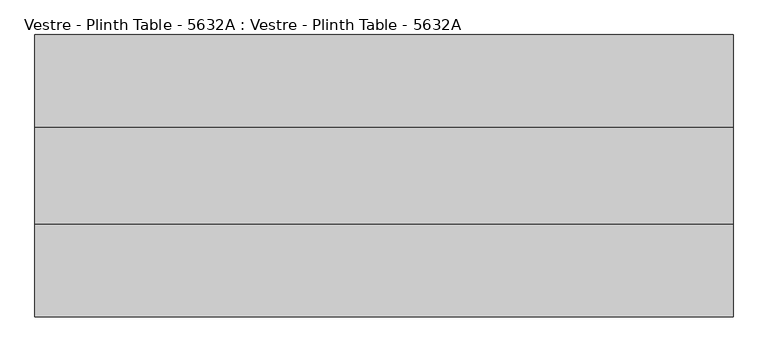
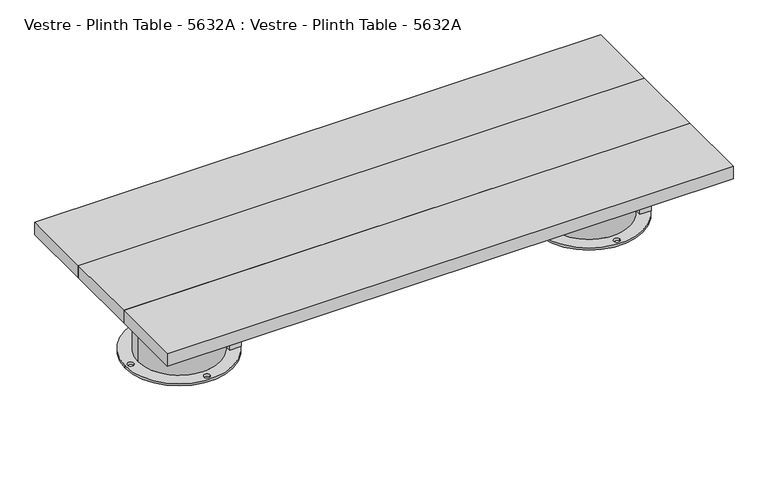
"""IFC4 building model written with IfcOpenShell, lengths in millimetres: furniture geometry, Vestre - Plinth Table - 5632A : Vestre - Plinth Table - 5632A."""

import ifcopenshell
import ifcopenshell.guid

model = None  # the IFC model being written
_history = None  # IfcOwnerHistory: only IFC2X3 demands one
_inside = {}  # id of a spatial element -> (the spatial element, [elements in it])
_under = {}  # id of a project, library or spatial element -> (it, [spatial elements below it])
_declared = {}  # id of a project -> (the project, [libraries it declares])
_typed = {}  # id of a type object -> (the type object, [elements of that type])
_made_of = {}  # id of a material, layer set ... -> (it, [elements and type objects made of it])


def new_model(schema):
    """Start an empty IFC model of exactly this schema.

    Asked for "IFC4X3", IfcOpenShell would pick the latest addendum, in which some entities
    have other attributes; the version numbers below select the first issue.
    IFC2X3 requires an IfcOwnerHistory on every rooted entity: one is made here for all.
    """
    global model, _history
    if schema == "IFC4X3":
        model = ifcopenshell.file(schema_version=(4, 3, 0, 0))
    else:
        model = ifcopenshell.file(schema=schema)
    _inside.clear()
    _under.clear()
    _declared.clear()
    _typed.clear()
    _made_of.clear()
    _history = None
    if model.schema == "IFC2X3":
        org = make("IfcOrganization", Name="unknown")
        user = make(
            "IfcPersonAndOrganization",
            ThePerson=make("IfcPerson", FamilyName="unknown"),
            TheOrganization=org,
        )
        app = make(
            "IfcApplication",
            ApplicationDeveloper=org,
            Version="unknown",
            ApplicationFullName="unknown",
            ApplicationIdentifier="unknown",
        )
        _history = make(
            "IfcOwnerHistory",
            OwningUser=user,
            OwningApplication=app,
            ChangeAction="ADDED",
            CreationDate=0,
        )
    return model


def make(cls, **values):
    """One entity of the class cls with the attributes given. An attribute that is None is left unset."""
    return model.create_entity(
        cls, **{name: value for name, value in values.items() if value is not None}
    )


def rooted(cls, **values):
    """An entity with a GlobalId (a new one), such as an element, a storey or a relation."""
    return make(cls, GlobalId=ifcopenshell.guid.new(), OwnerHistory=_history, **values)


def si_unit(unit_type, name, prefix=None):
    """IfcSIUnit, for example si_unit("LENGTHUNIT", "METRE", prefix="MILLI")."""
    return make("IfcSIUnit", UnitType=unit_type, Prefix=prefix, Name=name)


def assignment(units):
    """IfcUnitAssignment: the units of a project."""
    return None if units is None else make("IfcUnitAssignment", Units=units)


def point(xyz):
    """IfcCartesianPoint."""
    return None if xyz is None else make("IfcCartesianPoint", Coordinates=xyz)


def direction(xyz):
    """IfcDirection."""
    return None if xyz is None else make("IfcDirection", DirectionRatios=xyz)


def frame(location, z_axis=None, x_axis=None):
    """IfcAxis2Placement3D, a coordinate frame: its origin and axes. An axis left out is left unset."""
    return make(
        "IfcAxis2Placement3D",
        Location=point(location),
        Axis=direction(z_axis),
        RefDirection=direction(x_axis),
    )


def origin():
    """The frame at (0, 0, 0) with its axes left unset."""
    return frame((0.0, 0.0, 0.0))


def place(relative_to, where):
    """IfcLocalPlacement: puts the frame where relative to a parent placement (None: the world)."""
    return make(
        "IfcLocalPlacement", PlacementRelTo=relative_to, RelativePlacement=where
    )


def context(
    kind, dimensions, precision=None, world=None, true_north=None, identifier=None
):
    """IfcGeometricRepresentationContext, for example the 3D "Model" context."""
    return make(
        "IfcGeometricRepresentationContext",
        ContextIdentifier=identifier,
        ContextType=kind,
        CoordinateSpaceDimension=dimensions,
        Precision=precision,
        WorldCoordinateSystem=world,
        TrueNorth=true_north,
    )


def project(units=None, contexts=None):
    """IfcProject with its units and contexts."""
    return rooted(
        "IfcProject",
        Name="project",
        RepresentationContexts=contexts,
        UnitsInContext=assignment(units),
    )


def spatial(cls, under=None, at=None, **own):
    """A site, building, storey or space (cls), placed at a placement, below another one or the project."""
    s = rooted(cls, ObjectPlacement=at, **own)
    if under is not None:
        _under.setdefault(under.id(), (under, []))[1].append(s)
    return s


def polyline(points):
    """IfcPolyline through the points."""
    return make("IfcPolyline", Points=[point(p) for p in points])


def circle_curve(where, radius):
    """IfcCircle in the frame where."""
    return make("IfcCircle", Position=where, Radius=radius)


def outline(outer, holes=None, kind="AREA"):
    """IfcArbitraryClosedProfileDef: a profile drawn as a closed curve; with holes, ...WithVoids."""
    if holes is None:
        return make("IfcArbitraryClosedProfileDef", ProfileType=kind, OuterCurve=outer)
    return make(
        "IfcArbitraryProfileDefWithVoids",
        ProfileType=kind,
        OuterCurve=outer,
        InnerCurves=holes,
    )


def extrude(swept, where, along, depth):
    """IfcExtrudedAreaSolid: the profile swept, set in the frame where, extruded along a direction by depth."""
    return make(
        "IfcExtrudedAreaSolid",
        SweptArea=swept,
        Position=where,
        ExtrudedDirection=direction(along),
        Depth=depth,
    )


def shape(context_of_items, identifier, shape_type, items):
    """IfcShapeRepresentation: the items that make up one representation, for example the "Body"."""
    return make(
        "IfcShapeRepresentation",
        ContextOfItems=context_of_items,
        RepresentationIdentifier=identifier,
        RepresentationType=shape_type,
        Items=items,
    )


def source(mapping_origin, context_of_items, identifier, shape_type, items):
    """IfcRepresentationMap: a shape defined once, which mapped items show again and again."""
    return make(
        "IfcRepresentationMap",
        MappingOrigin=mapping_origin,
        MappedRepresentation=shape(context_of_items, identifier, shape_type, items),
    )


def transform(
    local_origin,
    x_axis=None,
    y_axis=None,
    z_axis=None,
    scale=None,
    scale2=None,
    scale3=None,
    uniform=True,
):
    """IfcCartesianTransformationOperator3D, or its non-uniform kind. x_axis, y_axis, z_axis: its Axis1, 2, 3."""
    if uniform:
        return make(
            "IfcCartesianTransformationOperator3D",
            Axis1=direction(x_axis),
            Axis2=direction(y_axis),
            LocalOrigin=point(local_origin),
            Scale=scale,
            Axis3=direction(z_axis),
        )
    return make(
        "IfcCartesianTransformationOperator3DnonUniform",
        Axis1=direction(x_axis),
        Axis2=direction(y_axis),
        LocalOrigin=point(local_origin),
        Scale=scale,
        Axis3=direction(z_axis),
        Scale2=scale2,
        Scale3=scale3,
    )


def mapped(mapping_source, mapping_target):
    """IfcMappedItem: shows the shape of a source again, moved by a transform."""
    return make(
        "IfcMappedItem", MappingSource=mapping_source, MappingTarget=mapping_target
    )


def made_of(thing, what):
    """Note that an element or type object is made of a material, layer set ...; save() writes the relation."""
    if what is not None:
        _made_of.setdefault(what.id(), (what, []))[1].append(thing)
    return thing


def element(
    cls,
    number,
    at=None,
    inside=None,
    cuts=None,
    type_object=None,
    material=None,
    context=None,
    identifier="Body",
    shape_type=None,
    held_by="IfcProductDefinitionShape",
    body=None,
    shapes=None,
    **own,
):
    """One element of the class cls, such as IfcWall. Its Tag is "e" and its number.

    at: its placement. inside: the storey or other place that contains it. cuts: it is an
    opening in that element (IfcRelVoidsElement). A single representation is given by context,
    identifier, shape_type and body (its items); several are given by shapes. held_by: the class
    of the entity that holds the representations. save() writes the other relations.
    """
    e = rooted(cls, Tag="e%d" % number, ObjectPlacement=at, **own)
    if body is not None:
        shapes = [shape(context, identifier, shape_type, body)]
    if shapes is not None:
        e.Representation = make(held_by, Representations=shapes)
    if inside is not None:
        _inside.setdefault(inside.id(), (inside, []))[1].append(e)
    if cuts is not None:
        rooted(
            "IfcRelVoidsElement", RelatingBuildingElement=cuts, RelatedOpeningElement=e
        )
    if type_object is not None:
        _typed.setdefault(type_object.id(), (type_object, []))[1].append(e)
    return made_of(e, material)


def aggregate(whole, parts):
    """IfcRelAggregates: a whole, such as a stair, and the parts it consists of."""
    return rooted("IfcRelAggregates", RelatingObject=whole, RelatedObjects=parts)


def save(model, path):
    """Write the relations noted so far, then the file.

    IfcRelAggregates (storeys below a building ...), IfcRelContainedInSpatialStructure (elements
    in a storey), IfcRelDefinesByType, IfcRelAssociatesMaterial and IfcRelDeclares: one each for
    every whole, place, type object, material and project.
    """
    for whole, parts in _under.values():
        aggregate(whole, parts)
    for where, things in _inside.values():
        rooted(
            "IfcRelContainedInSpatialStructure",
            RelatedElements=things,
            RelatingStructure=where,
        )
    for kind, things in _typed.values():
        rooted("IfcRelDefinesByType", RelatedObjects=things, RelatingType=kind)
    for what, things in _made_of.values():
        rooted("IfcRelAssociatesMaterial", RelatedObjects=things, RelatingMaterial=what)
    for by, libraries in _declared.values():
        rooted("IfcRelDeclares", RelatingContext=by, RelatedDefinitions=libraries)
    model.write(path)


def plane_surface(at):
    """IfcPlane: the flat surface through the origin of the frame at, square to its z axis."""
    return make("IfcPlane", Position=at)


def cylinder_surface(at, radius):
    """IfcCylindricalSurface: all points at the distance radius from the z axis of the frame at."""
    return make("IfcCylindricalSurface", Position=at, Radius=radius)


def revolved_surface(curve, axis_point, axis_direction):
    """IfcSurfaceOfRevolution: the curve turned about the line through axis_point along axis_direction."""
    return make(
        "IfcSurfaceOfRevolution",
        SweptCurve=make("IfcArbitraryOpenProfileDef", ProfileType="CURVE", Curve=curve),
        AxisPosition=make("IfcAxis1Placement", Location=point(axis_point), Axis=direction(axis_direction)),
    )


def advanced_brep(points, edges, surfaces, faces):
    """IfcAdvancedBrep: a solid bounded by faces that lie on surfaces and meet in shared edges.

    An edge is (start, end): straight between two places in points (the first is 0);
    or (start, end, curve); or (start, end, curve, False) where it runs against its curve.
    A face is (place in surfaces, loops), or (place, loops, False) where it looks against
    its surface's normal. A loop lists edges by number (the first is 1), with a minus sign
    where the edge is run from its end to its start. The first loop is the outer one.
    """
    corners = [point(p) for p in points]
    vertices = [make("IfcVertexPoint", VertexGeometry=c) for c in corners]
    made = []
    for start, end, *more in edges:
        made.append(
            make(
                "IfcEdgeCurve",
                EdgeStart=vertices[start],
                EdgeEnd=vertices[end],
                EdgeGeometry=more[0] if more else make("IfcPolyline", Points=[corners[start], corners[end]]),
                SameSense=more[1] if len(more) > 1 else True,
            )
        )
    hull = []
    for where, loops, *sense in faces:
        bounds = []
        for j, loop in enumerate(loops):
            ring = [make("IfcOrientedEdge", EdgeElement=made[abs(k) - 1], Orientation=k > 0) for k in loop]
            bounds.append(
                make(
                    "IfcFaceOuterBound" if j == 0 else "IfcFaceBound",
                    Bound=make("IfcEdgeLoop", EdgeList=ring),
                    Orientation=True,
                )
            )
        hull.append(make("IfcAdvancedFace", Bounds=bounds, FaceSurface=surfaces[where], SameSense=sense[0] if sense else True))
    return make("IfcAdvancedBrep", Outer=make("IfcClosedShell", CfsFaces=hull))


def vestre_plinth_table_5632a_vestre_plinth_table_5632a_89582b31(model_context):
    return source(origin(), model_context, "Body", "SolidModel", [
        extrude(outline(polyline([(760.0005464, -114.9999989), (760.0005464, -324.9999989), (-760.0005464, -324.9999989), (-760.0005464, -114.9999989), (760.0005464, -114.9999989)])), frame((0.0, 0.0, 214.9999847), z_axis=(0.0, 0.0, 1.0), x_axis=(1.0, 0.0, 0.0)), (0.0, 0.0, 1.0), 35.0000153),
        extrude(outline(polyline([(565.4994536, -483.0002308), (535.4811401, -483.0002308), (535.4811401, 43.000233), (565.4994536, 43.000233), (565.4994536, -483.0002308)])), frame((0.0, 0.0, 164.9999847), z_axis=(0.0, 0.0, 1.0), x_axis=(1.0, 0.0, 0.0)), (0.0, 0.0, 1.0), 50.0),
        extrude(outline(polyline([(-535.4811401, -483.0002308), (-565.4994536, -483.0002308), (-565.4994536, 43.000233), (-535.4811401, 43.000233), (-535.4811401, -483.0002308)])), frame((0.0, 0.0, 164.9999847), z_axis=(0.0, 0.0, 1.0), x_axis=(1.0, 0.0, 0.0)), (0.0, 0.0, 1.0), 50.0),
        advanced_brep(
        [(-660.0830351, -219.9999989, 164.9999847), (-442.3211565, -237.5001515, 164.9999847), (-538.5005464, -237.5001515, 164.9999847), (-538.5005464, -202.4998463, 164.9999847), (-442.3211565, -202.4998463, 164.9999847), (-695.0290119, -219.9999989, 0.0), (-405.9688024, -219.9999989, 0.0), (-688.5005464, -219.9999989, 0.0), (-672.5005464, -219.9999989, 0.0), (-558.5005464, -90.0001458, 0.0), (-542.5005464, -90.0001458, 0.0), (-412.497268, -219.9999989, 0.0), (-428.497268, -219.9999989, 0.0), (-558.5005464, -349.9998521, 0.0), (-542.5005464, -349.9998521, 0.0), (-660.0830351, -219.9999989, 5.8600001), (-440.9147793, -219.9999989, 5.8600001), (-440.9147793, -219.9999989, 74.9999847), (-442.3211565, -237.5001515, 74.9999847), (-442.3211565, -202.4998463, 74.9999847), (-538.5005464, -237.5001515, 74.9999847), (-538.5005464, -202.4998463, 74.9999847), (-695.0290119, -219.9999989, 5.8600001), (-405.9688024, -219.9999989, 5.8600001), (-688.5005464, -219.9999989, 5.8600001), (-672.5005464, -219.9999989, 5.8600001), (-558.5005464, -90.0001458, 5.8600001), (-542.5005464, -90.0001458, 5.8600001), (-412.497268, -219.9999989, 5.8600001), (-428.497268, -219.9999989, 5.8600001), (-558.5005464, -349.9998521, 5.8600001), (-542.5005464, -349.9998521, 5.8600001)],
        [
            (0, 1, circle_curve(frame((-550.4989072, -219.9999989, 164.9999847), z_axis=(0.0, 0.0, 1.0), x_axis=(1.0, 0.0, 0.0)), 109.5841279)),
            (1, 2),
            (2, 3),
            (3, 4),
            (4, 0, circle_curve(frame((-550.4989072, -219.9999989, 164.9999847), z_axis=(0.0, 0.0, 1.0), x_axis=(1.0, 0.0, 0.0)), 109.5841279)),
            (5, 6, circle_curve(frame((-550.4989072, -219.9999989, 0.0), z_axis=(0.0, 0.0, -1.0), x_axis=(1.0, 0.0, 0.0)), 144.5301047)),
            (6, 5, circle_curve(frame((-550.4989072, -219.9999989, 0.0), z_axis=(0.0, 0.0, -1.0), x_axis=(1.0, 0.0, 0.0)), 144.5301047)),
            (7, 8, circle_curve(frame((-680.5005464, -219.9999989, 0.0), z_axis=(0.0, 0.0, 1.0), x_axis=(1.0, 0.0, 0.0)), 8.0)),
            (8, 7, circle_curve(frame((-680.5005464, -219.9999989, 0.0), z_axis=(0.0, 0.0, 1.0), x_axis=(1.0, 0.0, 0.0)), 8.0)),
            (9, 10, circle_curve(frame((-550.5005464, -90.0001458, 0.0), z_axis=(0.0, 0.0, 1.0), x_axis=(1.0, 0.0, 0.0)), 8.0)),
            (10, 9, circle_curve(frame((-550.5005464, -90.0001458, 0.0), z_axis=(0.0, 0.0, 1.0), x_axis=(1.0, 0.0, 0.0)), 8.0)),
            (11, 12, circle_curve(frame((-420.497268, -219.9999989, 0.0), z_axis=(0.0, 0.0, 1.0), x_axis=(-1.0, 0.0, 0.0)), 8.0)),
            (12, 11, circle_curve(frame((-420.497268, -219.9999989, 0.0), z_axis=(0.0, 0.0, 1.0), x_axis=(-1.0, 0.0, 0.0)), 8.0)),
            (13, 14, circle_curve(frame((-550.5005464, -349.9998521, 0.0), z_axis=(0.0, 0.0, 1.0), x_axis=(1.0, 0.0, 0.0)), 8.0)),
            (14, 13, circle_curve(frame((-550.5005464, -349.9998521, 0.0), z_axis=(0.0, 0.0, 1.0), x_axis=(1.0, 0.0, 0.0)), 8.0)),
            (0, 15),
            (15, 16, circle_curve(frame((-550.4989072, -219.9999989, 5.8600001), z_axis=(0.0, 0.0, 1.0), x_axis=(1.0, 0.0, 0.0)), 109.5841279)),
            (16, 17),
            (17, 18, circle_curve(frame((-550.4989072, -219.9999989, 74.9999847), z_axis=(0.0, 0.0, -1.0), x_axis=(1.0, 0.0, 0.0)), 109.5841279)),
            (18, 1),
            (4, 19),
            (19, 17, circle_curve(frame((-550.4989072, -219.9999989, 74.9999847), z_axis=(0.0, 0.0, -1.0), x_axis=(1.0, 0.0, 0.0)), 109.5841279)),
            (16, 15, circle_curve(frame((-550.4989072, -219.9999989, 5.8600001), z_axis=(0.0, 0.0, 1.0), x_axis=(1.0, 0.0, 0.0)), 109.5841279)),
            (20, 21),
            (21, 3),
            (2, 20),
            (20, 18),
            (19, 21),
            (22, 23, circle_curve(frame((-550.4989072, -219.9999989, 5.8600001), z_axis=(0.0, 0.0, 1.0), x_axis=(1.0, 0.0, 0.0)), 144.5301047)),
            (23, 22, circle_curve(frame((-550.4989072, -219.9999989, 5.8600001), z_axis=(0.0, 0.0, 1.0), x_axis=(1.0, 0.0, 0.0)), 144.5301047)),
            (24, 25, circle_curve(frame((-680.5005464, -219.9999989, 5.8600001), z_axis=(0.0, 0.0, -1.0), x_axis=(1.0, 0.0, 0.0)), 8.0)),
            (25, 24, circle_curve(frame((-680.5005464, -219.9999989, 5.8600001), z_axis=(0.0, 0.0, -1.0), x_axis=(1.0, 0.0, 0.0)), 8.0)),
            (26, 27, circle_curve(frame((-550.5005464, -90.0001458, 5.8600001), z_axis=(0.0, 0.0, -1.0), x_axis=(1.0, 0.0, 0.0)), 8.0)),
            (27, 26, circle_curve(frame((-550.5005464, -90.0001458, 5.8600001), z_axis=(0.0, 0.0, -1.0), x_axis=(1.0, 0.0, 0.0)), 8.0)),
            (28, 29, circle_curve(frame((-420.497268, -219.9999989, 5.8600001), z_axis=(0.0, 0.0, -1.0), x_axis=(-1.0, 0.0, 0.0)), 8.0)),
            (29, 28, circle_curve(frame((-420.497268, -219.9999989, 5.8600001), z_axis=(0.0, 0.0, -1.0), x_axis=(-1.0, 0.0, 0.0)), 8.0)),
            (30, 31, circle_curve(frame((-550.5005464, -349.9998521, 5.8600001), z_axis=(0.0, 0.0, -1.0), x_axis=(1.0, 0.0, 0.0)), 8.0)),
            (31, 30, circle_curve(frame((-550.5005464, -349.9998521, 5.8600001), z_axis=(0.0, 0.0, -1.0), x_axis=(1.0, 0.0, 0.0)), 8.0)),
            (22, 5),
            (6, 23),
            (24, 7),
            (8, 25),
            (26, 9),
            (10, 27),
            (28, 11),
            (12, 29),
            (30, 13),
            (14, 31),
        ],
        [
            plane_surface(frame((-440.9147793, -219.9999989, 164.9999847), z_axis=(0.0, 0.0, 1.0), x_axis=(0.0, 1.0, 0.0))),
            plane_surface(frame((-440.9147793, -219.9999989, 0.0), z_axis=(0.0, 0.0, -1.0), x_axis=(0.0, -1.0, 0.0))),
            cylinder_surface(frame((-550.4989072, -219.9999989, 0.0), z_axis=(0.0, 0.0, 1.0), x_axis=(1.0, 0.0, 0.0)), 109.5841279),
            plane_surface(frame((-538.5005464, -202.4998463, 74.9999847), z_axis=(1.0, 0.0, 0.0), x_axis=(0.0, -1.0, 0.0))),
            plane_surface(frame((-420.0, -237.5001515, 74.9999847), z_axis=(0.0, 0.0, 1.0), x_axis=(-1.0, 0.0, 0.0))),
            plane_surface(frame((-420.0, -202.4998463, 74.9999847), z_axis=(0.0, -1.0, 0.0), x_axis=(-1.0, 0.0, 0.0))),
            plane_surface(frame((-420.0, -237.5001515, 164.9999847), z_axis=(0.0, 1.0, 0.0), x_axis=(-1.0, 0.0, 0.0))),
            plane_surface(frame((-405.9688024, -219.9999989, 5.8600001), z_axis=(0.0, 0.0, 1.0), x_axis=(0.0, 1.0, 0.0))),
            cylinder_surface(frame((-550.4989072, -219.9999989, 0.0), z_axis=(0.0, 0.0, 1.0), x_axis=(1.0, 0.0, 0.0)), 144.5301047),
            revolved_surface(polyline([(-672.5005464, -219.9999989, 0.0), (-672.5005464, -219.9999989, 5.8600001)]), (-680.5005464, -219.9999989, 0.0), (0.0, 0.0, -1.0)),
            revolved_surface(polyline([(-542.5005464, -90.0001458, 0.0), (-542.5005464, -90.0001458, 5.8600001)]), (-550.5005464, -90.0001458, 0.0), (0.0, 0.0, -1.0)),
            revolved_surface(polyline([(-428.497268, -219.9999989, 0.0), (-428.497268, -219.9999989, 5.8600001)]), (-420.497268, -219.9999989, 0.0), (0.0, 0.0, -1.0)),
            revolved_surface(polyline([(-542.5005464, -349.9998521, 0.0), (-542.5005464, -349.9998521, 5.8600001)]), (-550.5005464, -349.9998521, 0.0), (0.0, 0.0, -1.0)),
        ],
        [
            (0, [[1, 2, 3, 4, 5]]),
            (1, [[6, 7], [8, 9], [10, 11], [12, 13], [14, 15]]),
            (2, [[-1, 16, 17, 18, 19, 20]]),
            (2, [[-5, 21, 22, -18, 23, -16]]),
            (3, [[24, 25, -3, 26]]),
            (4, [[-24, 27, -19, -22, 28]]),
            (5, [[-25, -28, -21, -4]]),
            (6, [[-26, -2, -20, -27]]),
            (7, [[29, 30], [-17, -23], [31, 32], [33, 34], [35, 36], [37, 38]]),
            (8, [[-29, 39, -7, 40]]),
            (8, [[-30, -40, -6, -39]]),
            (9, [[-31, 41, -9, 42]]),
            (9, [[-32, -42, -8, -41]]),
            (10, [[-33, 43, -11, 44]]),
            (10, [[-34, -44, -10, -43]]),
            (11, [[-35, 45, -13, 46]]),
            (11, [[-36, -46, -12, -45]]),
            (12, [[-37, 47, -15, 48]]),
            (12, [[-38, -48, -14, -47]]),
        ],
    ),
        advanced_brep(
        [(695.0290119, -219.9999989, 0.0), (405.9688024, -219.9999989, 0.0), (688.5005464, -219.9999989, 0.0), (672.5005464, -219.9999989, 0.0), (558.5005464, -90.0001458, 0.0), (542.5005464, -90.0001458, 0.0), (412.497268, -219.9999989, 0.0), (428.497268, -219.9999989, 0.0), (558.5005464, -349.9998521, 0.0), (542.5005464, -349.9998521, 0.0), (538.5005464, -237.5001515, 74.9999847), (538.5005464, -237.5001515, 164.9999847), (538.5005464, -202.4998463, 164.9999847), (538.5005464, -202.4998463, 74.9999847), (442.3211565, -202.4998463, 74.9999847), (440.9147793, -219.9999989, 74.9999847), (442.3211565, -237.5001515, 74.9999847), (442.3211565, -202.4998463, 164.9999847), (442.3211565, -237.5001515, 164.9999847), (695.0290119, -219.9999989, 5.8600001), (405.9688024, -219.9999989, 5.8600001), (688.5005464, -219.9999989, 5.8600001), (672.5005464, -219.9999989, 5.8600001), (558.5005464, -90.0001458, 5.8600001), (542.5005464, -90.0001458, 5.8600001), (412.497268, -219.9999989, 5.8600001), (428.497268, -219.9999989, 5.8600001), (558.5005464, -349.9998521, 5.8600001), (542.5005464, -349.9998521, 5.8600001), (660.0830351, -219.9999989, 5.8600001), (440.9147793, -219.9999989, 5.8600001), (660.0830351, -219.9999989, 164.9999847)],
        [
            (0, 1, circle_curve(frame((550.4989072, -219.9999989, 0.0), z_axis=(0.0, 0.0, -1.0), x_axis=(-1.0, 0.0, 0.0)), 144.5301047)),
            (1, 0, circle_curve(frame((550.4989072, -219.9999989, 0.0), z_axis=(0.0, 0.0, -1.0), x_axis=(-1.0, 0.0, 0.0)), 144.5301047)),
            (2, 3, circle_curve(frame((680.5005464, -219.9999989, 0.0), z_axis=(0.0, 0.0, 1.0), x_axis=(-1.0, 0.0, 0.0)), 8.0)),
            (3, 2, circle_curve(frame((680.5005464, -219.9999989, 0.0), z_axis=(0.0, 0.0, 1.0), x_axis=(-1.0, 0.0, 0.0)), 8.0)),
            (4, 5, circle_curve(frame((550.5005464, -90.0001458, 0.0), z_axis=(0.0, 0.0, 1.0), x_axis=(-1.0, 0.0, 0.0)), 8.0)),
            (5, 4, circle_curve(frame((550.5005464, -90.0001458, 0.0), z_axis=(0.0, 0.0, 1.0), x_axis=(-1.0, 0.0, 0.0)), 8.0)),
            (6, 7, circle_curve(frame((420.497268, -219.9999989, 0.0), z_axis=(0.0, 0.0, 1.0), x_axis=(1.0, 0.0, 0.0)), 8.0)),
            (7, 6, circle_curve(frame((420.497268, -219.9999989, 0.0), z_axis=(0.0, 0.0, 1.0), x_axis=(1.0, 0.0, 0.0)), 8.0)),
            (8, 9, circle_curve(frame((550.5005464, -349.9998521, 0.0), z_axis=(0.0, 0.0, 1.0), x_axis=(-1.0, 0.0, 0.0)), 8.0)),
            (9, 8, circle_curve(frame((550.5005464, -349.9998521, 0.0), z_axis=(0.0, 0.0, 1.0), x_axis=(-1.0, 0.0, 0.0)), 8.0)),
            (10, 11),
            (11, 12),
            (12, 13),
            (13, 10),
            (13, 14),
            (14, 15, circle_curve(frame((550.4989072, -219.9999989, 74.9999847), z_axis=(0.0, 0.0, 1.0), x_axis=(-1.0, 0.0, 0.0)), 109.5841279)),
            (15, 16, circle_curve(frame((550.4989072, -219.9999989, 74.9999847), z_axis=(0.0, 0.0, 1.0), x_axis=(-1.0, 0.0, 0.0)), 109.5841279)),
            (16, 10),
            (12, 17),
            (17, 14),
            (16, 18),
            (18, 11),
            (19, 20, circle_curve(frame((550.4989072, -219.9999989, 5.8600001), z_axis=(0.0, 0.0, 1.0), x_axis=(-1.0, 0.0, 0.0)), 144.5301047)),
            (20, 19, circle_curve(frame((550.4989072, -219.9999989, 5.8600001), z_axis=(0.0, 0.0, 1.0), x_axis=(-1.0, 0.0, 0.0)), 144.5301047)),
            (21, 22, circle_curve(frame((680.5005464, -219.9999989, 5.8600001), z_axis=(0.0, 0.0, -1.0), x_axis=(-1.0, 0.0, 0.0)), 8.0)),
            (22, 21, circle_curve(frame((680.5005464, -219.9999989, 5.8600001), z_axis=(0.0, 0.0, -1.0), x_axis=(-1.0, 0.0, 0.0)), 8.0)),
            (23, 24, circle_curve(frame((550.5005464, -90.0001458, 5.8600001), z_axis=(0.0, 0.0, -1.0), x_axis=(-1.0, 0.0, 0.0)), 8.0)),
            (24, 23, circle_curve(frame((550.5005464, -90.0001458, 5.8600001), z_axis=(0.0, 0.0, -1.0), x_axis=(-1.0, 0.0, 0.0)), 8.0)),
            (25, 26, circle_curve(frame((420.497268, -219.9999989, 5.8600001), z_axis=(0.0, 0.0, -1.0), x_axis=(1.0, 0.0, 0.0)), 8.0)),
            (26, 25, circle_curve(frame((420.497268, -219.9999989, 5.8600001), z_axis=(0.0, 0.0, -1.0), x_axis=(1.0, 0.0, 0.0)), 8.0)),
            (27, 28, circle_curve(frame((550.5005464, -349.9998521, 5.8600001), z_axis=(0.0, 0.0, -1.0), x_axis=(-1.0, 0.0, 0.0)), 8.0)),
            (28, 27, circle_curve(frame((550.5005464, -349.9998521, 5.8600001), z_axis=(0.0, 0.0, -1.0), x_axis=(-1.0, 0.0, 0.0)), 8.0)),
            (29, 30, circle_curve(frame((550.4989072, -219.9999989, 5.8600001), z_axis=(0.0, 0.0, -1.0), x_axis=(-1.0, 0.0, 0.0)), 109.5841279)),
            (30, 29, circle_curve(frame((550.4989072, -219.9999989, 5.8600001), z_axis=(0.0, 0.0, -1.0), x_axis=(-1.0, 0.0, 0.0)), 109.5841279)),
            (19, 0),
            (1, 20),
            (21, 2),
            (3, 22),
            (23, 4),
            (5, 24),
            (25, 6),
            (7, 26),
            (27, 8),
            (9, 28),
            (31, 17, circle_curve(frame((550.4989072, -219.9999989, 164.9999847), z_axis=(0.0, 0.0, 1.0), x_axis=(-1.0, 0.0, 0.0)), 109.5841279)),
            (18, 31, circle_curve(frame((550.4989072, -219.9999989, 164.9999847), z_axis=(0.0, 0.0, 1.0), x_axis=(-1.0, 0.0, 0.0)), 109.5841279)),
            (15, 30),
            (29, 31),
        ],
        [
            plane_surface(frame((-440.9147793, -219.9999989, 0.0), z_axis=(0.0, 0.0, -1.0), x_axis=(0.0, -1.0, 0.0))),
            plane_surface(frame((538.5005464, -237.5001515, 74.9999847), z_axis=(-1.0, 0.0, 0.0), x_axis=(0.0, 0.0, -1.0))),
            plane_surface(frame((420.0, -202.4998463, 74.9999847), z_axis=(0.0, 0.0, 1.0), x_axis=(1.0, 0.0, 0.0))),
            plane_surface(frame((420.0, -202.4998463, 164.9999847), z_axis=(0.0, -1.0, 0.0), x_axis=(1.0, 0.0, 0.0))),
            plane_surface(frame((420.0, -237.5001515, 74.9999847), z_axis=(0.0, 1.0, 0.0), x_axis=(1.0, 0.0, 0.0))),
            plane_surface(frame((-405.9688024, -219.9999989, 5.8600001), z_axis=(0.0, 0.0, 1.0), x_axis=(0.0, 1.0, 0.0))),
            cylinder_surface(frame((550.4989072, -219.9999989, 0.0), z_axis=(0.0, 0.0, 1.0), x_axis=(-1.0, 0.0, 0.0)), 144.5301047),
            revolved_surface(polyline([(672.5005464, -219.9999989, 0.0), (672.5005464, -219.9999989, 5.8600001)]), (680.5005464, -219.9999989, 0.0), (0.0, 0.0, -1.0)),
            revolved_surface(polyline([(542.5005464, -90.0001458, 0.0), (542.5005464, -90.0001458, 5.8600001)]), (550.5005464, -90.0001458, 0.0), (0.0, 0.0, -1.0)),
            revolved_surface(polyline([(428.497268, -219.9999989, 0.0), (428.497268, -219.9999989, 5.8600001)]), (420.497268, -219.9999989, 0.0), (0.0, 0.0, -1.0)),
            revolved_surface(polyline([(542.5005464, -349.9998521, 0.0), (542.5005464, -349.9998521, 5.8600001)]), (550.5005464, -349.9998521, 0.0), (0.0, 0.0, -1.0)),
            plane_surface(frame((440.9147793, -219.9999989, 164.9999847), z_axis=(0.0, 0.0, 1.0), x_axis=(0.0, -1.0, 0.0))),
            cylinder_surface(frame((550.4989072, -219.9999989, 0.0), z_axis=(0.0, 0.0, 1.0), x_axis=(-1.0, 0.0, 0.0)), 109.5841279),
        ],
        [
            (0, [[1, 2], [3, 4], [5, 6], [7, 8], [9, 10]]),
            (1, [[11, 12, 13, 14]]),
            (2, [[-14, 15, 16, 17, 18]]),
            (3, [[-13, 19, 20, -15]]),
            (4, [[-11, -18, 21, 22]]),
            (5, [[23, 24], [25, 26], [27, 28], [29, 30], [31, 32], [33, 34]]),
            (6, [[-23, 35, -2, 36]]),
            (6, [[-24, -36, -1, -35]]),
            (7, [[-25, 37, -4, 38]]),
            (7, [[-26, -38, -3, -37]]),
            (8, [[-27, 39, -6, 40]]),
            (8, [[-28, -40, -5, -39]]),
            (9, [[-29, 41, -8, 42]]),
            (9, [[-30, -42, -7, -41]]),
            (10, [[-31, 43, -10, 44]]),
            (10, [[-32, -44, -9, -43]]),
            (11, [[45, -19, -12, -22, 46]]),
            (12, [[-46, -21, -17, 47, -33, 48]]),
            (12, [[-45, -48, -34, -47, -16, -20]]),
        ],
    ),
        extrude(outline(polyline([(538.5005464, -202.4998463), (538.5005464, -237.5001515), (-538.5005464, -237.5001515), (-538.5005464, -202.4998463), (538.5005464, -202.4998463)])), frame((0.0, 0.0, 74.9999847), z_axis=(0.0, 0.0, 1.0), x_axis=(1.0, 0.0, 0.0)), (0.0, 0.0, 1.0), 90.0),
        extrude(outline(polyline([(760.0005464, 87.500233), (760.0005464, -114.9999989), (-760.0005464, -114.9999989), (-760.0005464, 87.500233), (760.0005464, 87.500233)])), frame((0.0, 0.0, 214.9999847), z_axis=(0.0, 0.0, 1.0), x_axis=(1.0, 0.0, 0.0)), (0.0, 0.0, 1.0), 35.0000153),
        extrude(outline(polyline([(760.0005464, -324.9999989), (760.0005464, -527.5002308), (-760.0005464, -527.5002308), (-760.0005464, -324.9999989), (760.0005464, -324.9999989)])), frame((0.0, 0.0, 214.9999847), z_axis=(0.0, 0.0, 1.0), x_axis=(1.0, 0.0, 0.0)), (0.0, 0.0, 1.0), 35.0000153),
    ])


if __name__ == "__main__":
    model = new_model("IFC4")
    model_context = context("Model", 3, world=origin())
    ifc_project = project(units=[si_unit("LENGTHUNIT", "METRE", prefix="MILLI")], contexts=[model_context])
    site = spatial("IfcSite", under=ifc_project)
    building = spatial("IfcBuilding", under=site)
    placement = place(None, origin())
    vestre_plinth_table_5632a_vestre_plinth_table_5632a_shape = vestre_plinth_table_5632a_vestre_plinth_table_5632a_89582b31(model_context)
    element("IfcFurniture", 1, ObjectType="Vestre - Plinth Table - 5632A : Vestre - Plinth Table - 5632A", at=placement, inside=building, context=model_context, shape_type="MappedRepresentation", body=[
        mapped(vestre_plinth_table_5632a_vestre_plinth_table_5632a_shape, transform((0.0, 0.0, 0.0), x_axis=(1.0, 0.0, 0.0), y_axis=(0.0, 1.0, 0.0), z_axis=(0.0, 0.0, 1.0))),
    ])
    save(model, "model.ifc")
